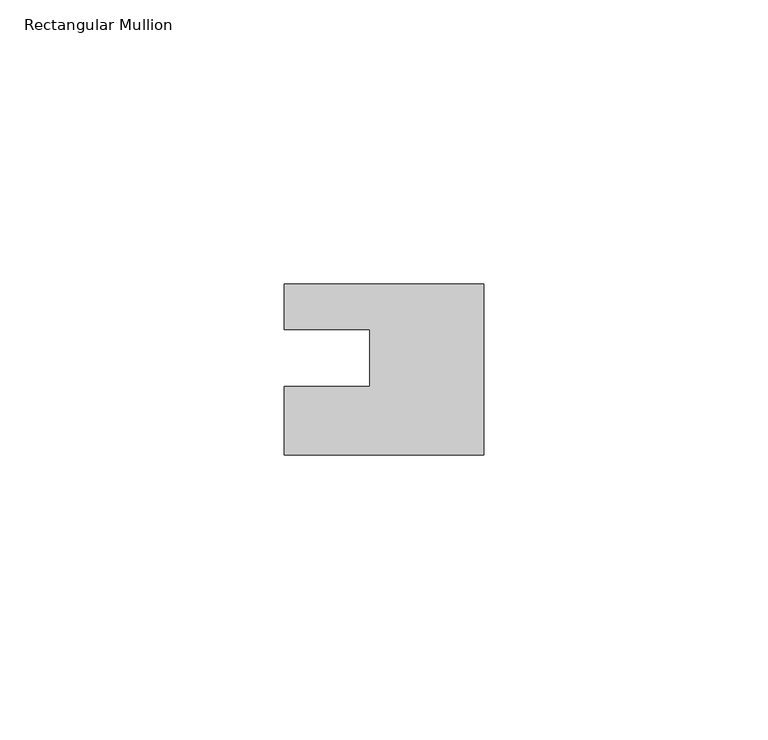
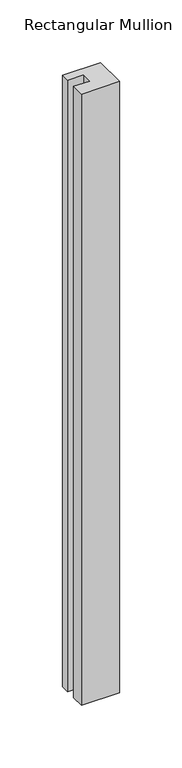
"""IFC4 building model written with IfcOpenShell, lengths in millimetres: member geometry, Rectangular Mullion."""

from ifc_helpers import new_model, si_unit, frame, origin, place, context, project, spatial, polyline, outline, extrude, source, transform, mapped, element, save


def rectangular_mullion_0007c5df(model_context):
    return source(origin(), model_context, "Body", "SweptSolid", [
        extrude(outline(polyline([(0.0, 7.94), (0.0, -22.06), (-35.0, -22.06), (-35.0, -10.0), (-20.0, -10.0), (-20.0, 0.001), (-35.0, 0.001), (-35.0, 7.94), (0.0, 7.94)])), frame((0.0, 0.0, -594.8963605), z_axis=(0.0, 0.0, 1.0), x_axis=(1.0, 0.0, 0.0)), (0.0, 0.0, 1.0), 594.8963605),
    ])


if __name__ == "__main__":
    model = new_model("IFC4")
    model_context = context("Model", 3, world=origin())
    ifc_project = project(units=[si_unit("LENGTHUNIT", "METRE", prefix="MILLI")], contexts=[model_context])
    site = spatial("IfcSite", under=ifc_project)
    building = spatial("IfcBuilding", under=site)
    placement = place(None, origin())
    rectangular_mullion_shape = rectangular_mullion_0007c5df(model_context)
    element("IfcMember", 1, ObjectType="Rectangular Mullion", at=placement, inside=building, context=model_context, shape_type="MappedRepresentation", body=[
        mapped(rectangular_mullion_shape, transform((0.0, 0.0, 0.0), x_axis=(1.0, 0.0, 0.0), y_axis=(0.0, 1.0, 0.0), z_axis=(0.0, 0.0, 1.0))),
    ])
    save(model, "model.ifc")
